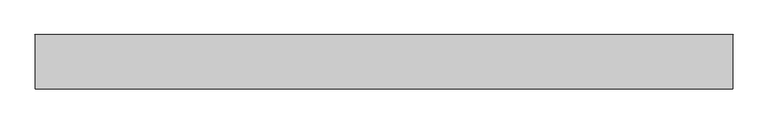
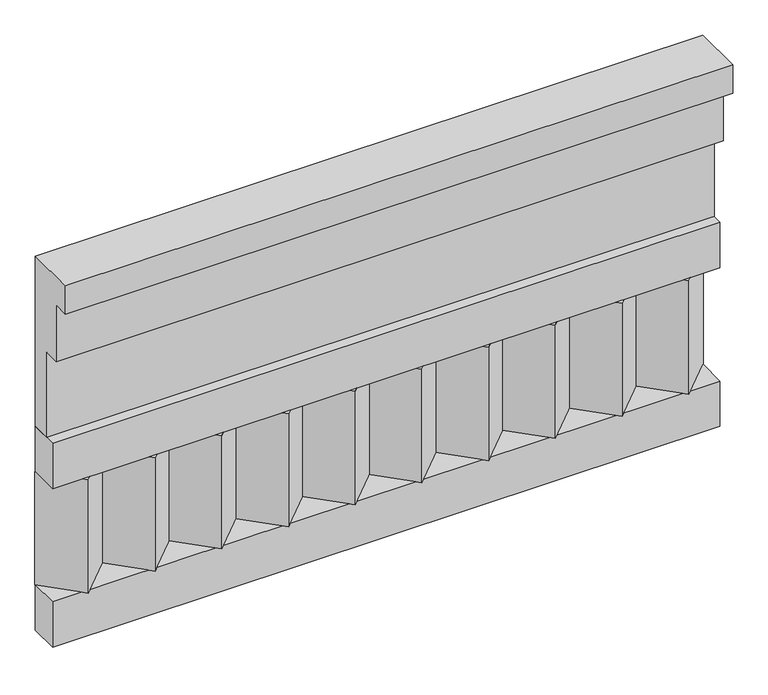
"""IFC4 building model written with IfcOpenShell, lengths in millimetres: railing geometry."""

import ifcopenshell
import ifcopenshell.guid

model = None  # the IFC model being written
_history = None  # IfcOwnerHistory: only IFC2X3 demands one
_inside = {}  # id of a spatial element -> (the spatial element, [elements in it])
_under = {}  # id of a project, library or spatial element -> (it, [spatial elements below it])
_declared = {}  # id of a project -> (the project, [libraries it declares])
_typed = {}  # id of a type object -> (the type object, [elements of that type])
_made_of = {}  # id of a material, layer set ... -> (it, [elements and type objects made of it])


def new_model(schema):
    """Start an empty IFC model of exactly this schema.

    Asked for "IFC4X3", IfcOpenShell would pick the latest addendum, in which some entities
    have other attributes; the version numbers below select the first issue.
    IFC2X3 requires an IfcOwnerHistory on every rooted entity: one is made here for all.
    """
    global model, _history
    if schema == "IFC4X3":
        model = ifcopenshell.file(schema_version=(4, 3, 0, 0))
    else:
        model = ifcopenshell.file(schema=schema)
    _inside.clear()
    _under.clear()
    _declared.clear()
    _typed.clear()
    _made_of.clear()
    _history = None
    if model.schema == "IFC2X3":
        org = make("IfcOrganization", Name="unknown")
        user = make(
            "IfcPersonAndOrganization",
            ThePerson=make("IfcPerson", FamilyName="unknown"),
            TheOrganization=org,
        )
        app = make(
            "IfcApplication",
            ApplicationDeveloper=org,
            Version="unknown",
            ApplicationFullName="unknown",
            ApplicationIdentifier="unknown",
        )
        _history = make(
            "IfcOwnerHistory",
            OwningUser=user,
            OwningApplication=app,
            ChangeAction="ADDED",
            CreationDate=0,
        )
    return model


def make(cls, **values):
    """One entity of the class cls with the attributes given. An attribute that is None is left unset."""
    return model.create_entity(
        cls, **{name: value for name, value in values.items() if value is not None}
    )


def rooted(cls, **values):
    """An entity with a GlobalId (a new one), such as an element, a storey or a relation."""
    return make(cls, GlobalId=ifcopenshell.guid.new(), OwnerHistory=_history, **values)


def si_unit(unit_type, name, prefix=None):
    """IfcSIUnit, for example si_unit("LENGTHUNIT", "METRE", prefix="MILLI")."""
    return make("IfcSIUnit", UnitType=unit_type, Prefix=prefix, Name=name)


def assignment(units):
    """IfcUnitAssignment: the units of a project."""
    return None if units is None else make("IfcUnitAssignment", Units=units)


def point(xyz):
    """IfcCartesianPoint."""
    return None if xyz is None else make("IfcCartesianPoint", Coordinates=xyz)


def direction(xyz):
    """IfcDirection."""
    return None if xyz is None else make("IfcDirection", DirectionRatios=xyz)


def frame(location, z_axis=None, x_axis=None):
    """IfcAxis2Placement3D, a coordinate frame: its origin and axes. An axis left out is left unset."""
    return make(
        "IfcAxis2Placement3D",
        Location=point(location),
        Axis=direction(z_axis),
        RefDirection=direction(x_axis),
    )


def origin():
    """The frame at (0, 0, 0) with its axes left unset."""
    return frame((0.0, 0.0, 0.0))


def place(relative_to, where):
    """IfcLocalPlacement: puts the frame where relative to a parent placement (None: the world)."""
    return make(
        "IfcLocalPlacement", PlacementRelTo=relative_to, RelativePlacement=where
    )


def context(
    kind, dimensions, precision=None, world=None, true_north=None, identifier=None
):
    """IfcGeometricRepresentationContext, for example the 3D "Model" context."""
    return make(
        "IfcGeometricRepresentationContext",
        ContextIdentifier=identifier,
        ContextType=kind,
        CoordinateSpaceDimension=dimensions,
        Precision=precision,
        WorldCoordinateSystem=world,
        TrueNorth=true_north,
    )


def project(units=None, contexts=None):
    """IfcProject with its units and contexts."""
    return rooted(
        "IfcProject",
        Name="project",
        RepresentationContexts=contexts,
        UnitsInContext=assignment(units),
    )


def spatial(cls, under=None, at=None, **own):
    """A site, building, storey or space (cls), placed at a placement, below another one or the project."""
    s = rooted(cls, ObjectPlacement=at, **own)
    if under is not None:
        _under.setdefault(under.id(), (under, []))[1].append(s)
    return s


def polyline(points):
    """IfcPolyline through the points."""
    return make("IfcPolyline", Points=[point(p) for p in points])


def outline(outer, holes=None, kind="AREA"):
    """IfcArbitraryClosedProfileDef: a profile drawn as a closed curve; with holes, ...WithVoids."""
    if holes is None:
        return make("IfcArbitraryClosedProfileDef", ProfileType=kind, OuterCurve=outer)
    return make(
        "IfcArbitraryProfileDefWithVoids",
        ProfileType=kind,
        OuterCurve=outer,
        InnerCurves=holes,
    )


def extrude(swept, where, along, depth):
    """IfcExtrudedAreaSolid: the profile swept, set in the frame where, extruded along a direction by depth."""
    return make(
        "IfcExtrudedAreaSolid",
        SweptArea=swept,
        Position=where,
        ExtrudedDirection=direction(along),
        Depth=depth,
    )


def shape(context_of_items, identifier, shape_type, items):
    """IfcShapeRepresentation: the items that make up one representation, for example the "Body"."""
    return make(
        "IfcShapeRepresentation",
        ContextOfItems=context_of_items,
        RepresentationIdentifier=identifier,
        RepresentationType=shape_type,
        Items=items,
    )


def source(mapping_origin, context_of_items, identifier, shape_type, items):
    """IfcRepresentationMap: a shape defined once, which mapped items show again and again."""
    return make(
        "IfcRepresentationMap",
        MappingOrigin=mapping_origin,
        MappedRepresentation=shape(context_of_items, identifier, shape_type, items),
    )


def transform(
    local_origin,
    x_axis=None,
    y_axis=None,
    z_axis=None,
    scale=None,
    scale2=None,
    scale3=None,
    uniform=True,
):
    """IfcCartesianTransformationOperator3D, or its non-uniform kind. x_axis, y_axis, z_axis: its Axis1, 2, 3."""
    if uniform:
        return make(
            "IfcCartesianTransformationOperator3D",
            Axis1=direction(x_axis),
            Axis2=direction(y_axis),
            LocalOrigin=point(local_origin),
            Scale=scale,
            Axis3=direction(z_axis),
        )
    return make(
        "IfcCartesianTransformationOperator3DnonUniform",
        Axis1=direction(x_axis),
        Axis2=direction(y_axis),
        LocalOrigin=point(local_origin),
        Scale=scale,
        Axis3=direction(z_axis),
        Scale2=scale2,
        Scale3=scale3,
    )


def mapped(mapping_source, mapping_target):
    """IfcMappedItem: shows the shape of a source again, moved by a transform."""
    return make(
        "IfcMappedItem", MappingSource=mapping_source, MappingTarget=mapping_target
    )


def made_of(thing, what):
    """Note that an element or type object is made of a material, layer set ...; save() writes the relation."""
    if what is not None:
        _made_of.setdefault(what.id(), (what, []))[1].append(thing)
    return thing


def element(
    cls,
    number,
    at=None,
    inside=None,
    cuts=None,
    type_object=None,
    material=None,
    context=None,
    identifier="Body",
    shape_type=None,
    held_by="IfcProductDefinitionShape",
    body=None,
    shapes=None,
    **own,
):
    """One element of the class cls, such as IfcWall. Its Tag is "e" and its number.

    at: its placement. inside: the storey or other place that contains it. cuts: it is an
    opening in that element (IfcRelVoidsElement). A single representation is given by context,
    identifier, shape_type and body (its items); several are given by shapes. held_by: the class
    of the entity that holds the representations. save() writes the other relations.
    """
    e = rooted(cls, Tag="e%d" % number, ObjectPlacement=at, **own)
    if body is not None:
        shapes = [shape(context, identifier, shape_type, body)]
    if shapes is not None:
        e.Representation = make(held_by, Representations=shapes)
    if inside is not None:
        _inside.setdefault(inside.id(), (inside, []))[1].append(e)
    if cuts is not None:
        rooted(
            "IfcRelVoidsElement", RelatingBuildingElement=cuts, RelatedOpeningElement=e
        )
    if type_object is not None:
        _typed.setdefault(type_object.id(), (type_object, []))[1].append(e)
    return made_of(e, material)


def aggregate(whole, parts):
    """IfcRelAggregates: a whole, such as a stair, and the parts it consists of."""
    return rooted("IfcRelAggregates", RelatingObject=whole, RelatedObjects=parts)


def save(model, path):
    """Write the relations noted so far, then the file.

    IfcRelAggregates (storeys below a building ...), IfcRelContainedInSpatialStructure (elements
    in a storey), IfcRelDefinesByType, IfcRelAssociatesMaterial and IfcRelDeclares: one each for
    every whole, place, type object, material and project.
    """
    for whole, parts in _under.values():
        aggregate(whole, parts)
    for where, things in _inside.values():
        rooted(
            "IfcRelContainedInSpatialStructure",
            RelatedElements=things,
            RelatingStructure=where,
        )
    for kind, things in _typed.values():
        rooted("IfcRelDefinesByType", RelatedObjects=things, RelatingType=kind)
    for what, things in _made_of.values():
        rooted("IfcRelAssociatesMaterial", RelatedObjects=things, RelatingMaterial=what)
    for by, libraries in _declared.values():
        rooted("IfcRelDeclares", RelatingContext=by, RelatedDefinitions=libraries)
    model.write(path)


def railing_dd845306(model_context):
    return source(origin(), model_context, "Body", "SweptSolid", [
        extrude(outline(polyline([(-16816.8920513, 15205.0), (-16816.8920513, 14755.0), (-16866.8920513, 14755.0), (-16866.8920513, 14980.0), (-16906.8920513, 14980.0), (-16906.8920513, 15130.0), (-16946.8920513, 15130.0), (-16946.8920513, 15205.0), (-16816.8920513, 15205.0)])), frame((33090.0112841, 0.0, 0.0), z_axis=(1.0, 0.0, 0.0), x_axis=(0.0, 1.0, 0.0)), (0.0, 0.0, 1.0), 1670.0),
        extrude(outline(polyline([(33090.0112841, -16891.8920513), (33090.0112841, -16816.8920513), (34760.0112841, -16816.8920513), (34760.0112841, -16891.8920513), (33090.0112841, -16891.8920513)])), frame((0.0, 0.0, 14635.0), z_axis=(0.0, 0.0, 1.0), x_axis=(1.0, 0.0, 0.0)), (0.0, 0.0, 1.0), 120.0),
        extrude(outline(polyline([(33090.0112841, -16891.8920513), (33090.0112841, -16816.8920513), (34760.0112841, -16816.8920513), (34760.0112841, -16891.8920513), (33090.0112841, -16891.8920513)])), frame((0.0, 0.0, 14215.0), z_axis=(0.0, 0.0, 1.0), x_axis=(1.0, 0.0, 0.0)), (0.0, 0.0, 1.0), 120.0),
        extrude(outline(polyline([(34676.5112841, -16901.7448651), (34591.6584704, -16816.8920513), (34761.3640978, -16816.8920513), (34676.5112841, -16901.7448651)])), frame((0.0, 0.0, 14335.0), z_axis=(0.0, 0.0, 1.0), x_axis=(1.0, 0.0, 0.0)), (0.0, 0.0, 1.0), 300.0),
        extrude(outline(polyline([(34509.5112841, -16901.7448651), (34424.6584704, -16816.8920513), (34594.3640978, -16816.8920513), (34509.5112841, -16901.7448651)])), frame((0.0, 0.0, 14335.0), z_axis=(0.0, 0.0, 1.0), x_axis=(1.0, 0.0, 0.0)), (0.0, 0.0, 1.0), 300.0),
        extrude(outline(polyline([(34342.5112841, -16901.7448651), (34257.6584704, -16816.8920513), (34427.3640978, -16816.8920513), (34342.5112841, -16901.7448651)])), frame((0.0, 0.0, 14335.0), z_axis=(0.0, 0.0, 1.0), x_axis=(1.0, 0.0, 0.0)), (0.0, 0.0, 1.0), 300.0),
        extrude(outline(polyline([(34175.5112841, -16901.7448651), (34090.6584704, -16816.8920513), (34260.3640978, -16816.8920513), (34175.5112841, -16901.7448651)])), frame((0.0, 0.0, 14335.0), z_axis=(0.0, 0.0, 1.0), x_axis=(1.0, 0.0, 0.0)), (0.0, 0.0, 1.0), 300.0),
        extrude(outline(polyline([(34008.5112841, -16901.7448651), (33923.6584704, -16816.8920513), (34093.3640978, -16816.8920513), (34008.5112841, -16901.7448651)])), frame((0.0, 0.0, 14335.0), z_axis=(0.0, 0.0, 1.0), x_axis=(1.0, 0.0, 0.0)), (0.0, 0.0, 1.0), 300.0),
        extrude(outline(polyline([(33841.5112841, -16901.7448651), (33756.6584704, -16816.8920513), (33926.3640978, -16816.8920513), (33841.5112841, -16901.7448651)])), frame((0.0, 0.0, 14335.0), z_axis=(0.0, 0.0, 1.0), x_axis=(1.0, 0.0, 0.0)), (0.0, 0.0, 1.0), 300.0),
        extrude(outline(polyline([(33674.5112841, -16901.7448651), (33589.6584704, -16816.8920513), (33759.3640978, -16816.8920513), (33674.5112841, -16901.7448651)])), frame((0.0, 0.0, 14335.0), z_axis=(0.0, 0.0, 1.0), x_axis=(1.0, 0.0, 0.0)), (0.0, 0.0, 1.0), 300.0),
        extrude(outline(polyline([(33507.5112841, -16901.7448651), (33422.6584704, -16816.8920513), (33592.3640978, -16816.8920513), (33507.5112841, -16901.7448651)])), frame((0.0, 0.0, 14335.0), z_axis=(0.0, 0.0, 1.0), x_axis=(1.0, 0.0, 0.0)), (0.0, 0.0, 1.0), 300.0),
        extrude(outline(polyline([(33340.5112841, -16901.7448651), (33255.6584704, -16816.8920513), (33425.3640978, -16816.8920513), (33340.5112841, -16901.7448651)])), frame((0.0, 0.0, 14335.0), z_axis=(0.0, 0.0, 1.0), x_axis=(1.0, 0.0, 0.0)), (0.0, 0.0, 1.0), 300.0),
        extrude(outline(polyline([(33173.5112841, -16901.7448651), (33088.6584704, -16816.8920513), (33258.3640978, -16816.8920513), (33173.5112841, -16901.7448651)])), frame((0.0, 0.0, 14335.0), z_axis=(0.0, 0.0, 1.0), x_axis=(1.0, 0.0, 0.0)), (0.0, 0.0, 1.0), 300.0),
    ])


if __name__ == "__main__":
    model = new_model("IFC4")
    model_context = context("Model", 3, world=origin())
    ifc_project = project(units=[si_unit("LENGTHUNIT", "METRE", prefix="MILLI")], contexts=[model_context])
    site = spatial("IfcSite", under=ifc_project)
    building = spatial("IfcBuilding", under=site)
    placement = place(None, origin())
    railing_shape = railing_dd845306(model_context)
    element("IfcRailing", 1, at=placement, inside=building, context=model_context, shape_type="MappedRepresentation", body=[
        mapped(railing_shape, transform((0.0, 0.0, 0.0), x_axis=(1.0, 0.0, 0.0), y_axis=(0.0, 1.0, 0.0), z_axis=(0.0, 0.0, 1.0))),
    ])
    save(model, "model.ifc")
